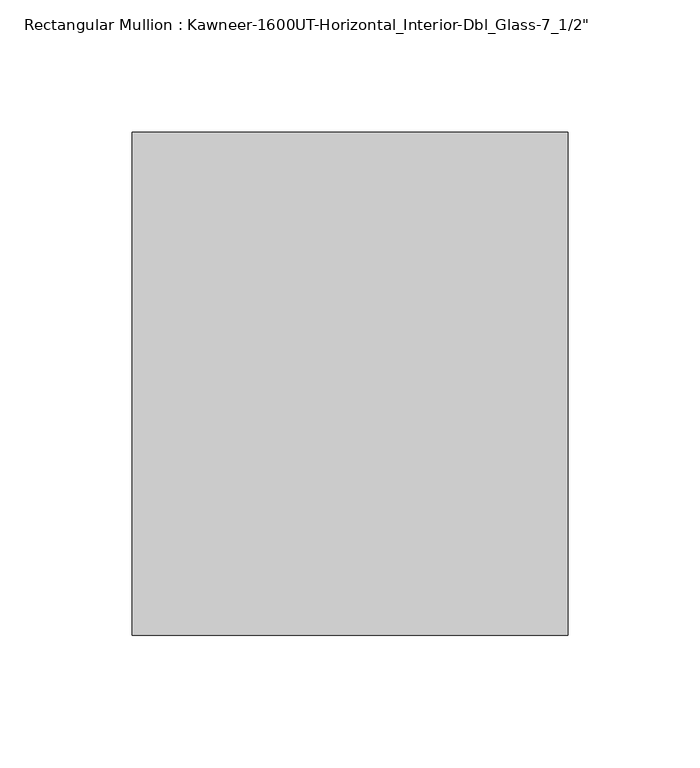
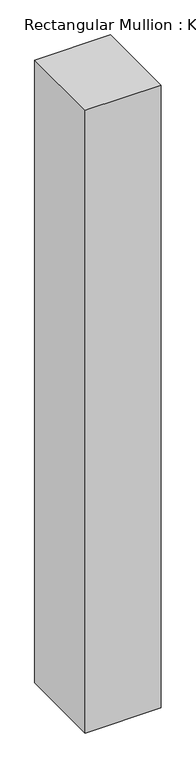
"""IFC4 building model written with IfcOpenShell, lengths in millimetres: member geometry."""

from ifc_helpers import new_model, si_unit, frame, origin, place, context, project, spatial, polyline, outline, extrude, source, transform, mapped, element, save


def member_7f65bcf9(model_context):
    return source(origin(), model_context, "Body", "SweptSolid", [
        extrude(outline(polyline([(-82.5540665, -152.4), (-82.5540665, 38.1), (82.5540665, 38.1), (82.5540665, -152.4), (-82.5540665, -152.4)])), frame((0.0, 0.0, -1431.925), z_axis=(0.0, 0.0, 1.0), x_axis=(1.0, 0.0, 0.0)), (0.0, 0.0, 1.0), 1431.925),
    ])


if __name__ == "__main__":
    model = new_model("IFC4")
    model_context = context("Model", 3, world=origin())
    ifc_project = project(units=[si_unit("LENGTHUNIT", "METRE", prefix="MILLI")], contexts=[model_context])
    site = spatial("IfcSite", under=ifc_project)
    building = spatial("IfcBuilding", under=site)
    placement = place(None, origin())
    member_shape = member_7f65bcf9(model_context)
    element("IfcMember", 1, ObjectType="Rectangular Mullion : Kawneer-1600UT-Horizontal_Interior-Dbl_Glass-7_1/2\"", at=placement, inside=building, context=model_context, shape_type="MappedRepresentation", body=[
        mapped(member_shape, transform((0.0, 0.0, 0.0), x_axis=(1.0, 0.0, 0.0), y_axis=(0.0, 1.0, 0.0), z_axis=(0.0, 0.0, 1.0))),
    ])
    save(model, "model.ifc")
